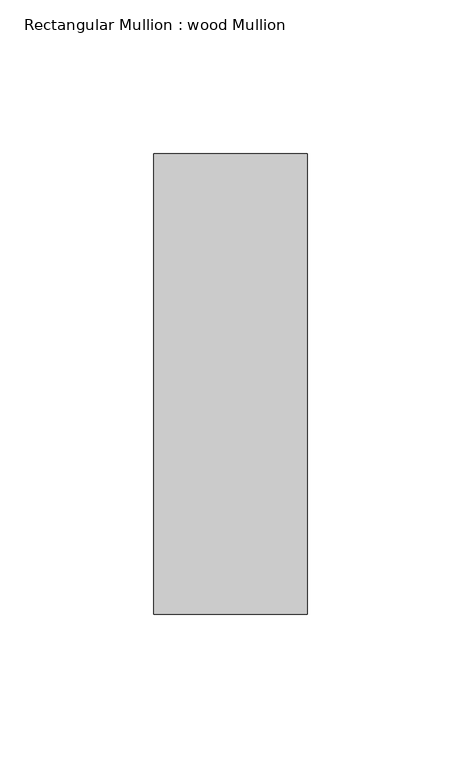
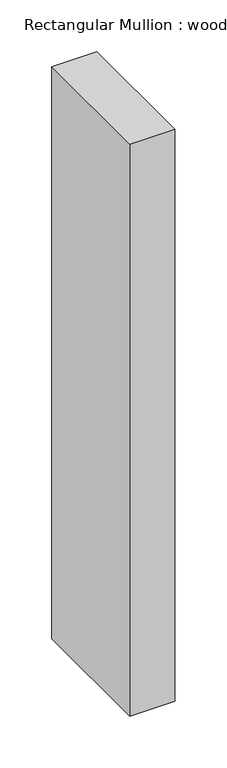
"""IFC4 building model written with IfcOpenShell, lengths in millimetres: member geometry, Rectangular Mullion : wood Mullion."""

import ifcopenshell
import ifcopenshell.guid

model = None  # the IFC model being written
_history = None  # IfcOwnerHistory: only IFC2X3 demands one
_inside = {}  # id of a spatial element -> (the spatial element, [elements in it])
_under = {}  # id of a project, library or spatial element -> (it, [spatial elements below it])
_declared = {}  # id of a project -> (the project, [libraries it declares])
_typed = {}  # id of a type object -> (the type object, [elements of that type])
_made_of = {}  # id of a material, layer set ... -> (it, [elements and type objects made of it])


def new_model(schema):
    """Start an empty IFC model of exactly this schema.

    Asked for "IFC4X3", IfcOpenShell would pick the latest addendum, in which some entities
    have other attributes; the version numbers below select the first issue.
    IFC2X3 requires an IfcOwnerHistory on every rooted entity: one is made here for all.
    """
    global model, _history
    if schema == "IFC4X3":
        model = ifcopenshell.file(schema_version=(4, 3, 0, 0))
    else:
        model = ifcopenshell.file(schema=schema)
    _inside.clear()
    _under.clear()
    _declared.clear()
    _typed.clear()
    _made_of.clear()
    _history = None
    if model.schema == "IFC2X3":
        org = make("IfcOrganization", Name="unknown")
        user = make(
            "IfcPersonAndOrganization",
            ThePerson=make("IfcPerson", FamilyName="unknown"),
            TheOrganization=org,
        )
        app = make(
            "IfcApplication",
            ApplicationDeveloper=org,
            Version="unknown",
            ApplicationFullName="unknown",
            ApplicationIdentifier="unknown",
        )
        _history = make(
            "IfcOwnerHistory",
            OwningUser=user,
            OwningApplication=app,
            ChangeAction="ADDED",
            CreationDate=0,
        )
    return model


def make(cls, **values):
    """One entity of the class cls with the attributes given. An attribute that is None is left unset."""
    return model.create_entity(
        cls, **{name: value for name, value in values.items() if value is not None}
    )


def rooted(cls, **values):
    """An entity with a GlobalId (a new one), such as an element, a storey or a relation."""
    return make(cls, GlobalId=ifcopenshell.guid.new(), OwnerHistory=_history, **values)


def si_unit(unit_type, name, prefix=None):
    """IfcSIUnit, for example si_unit("LENGTHUNIT", "METRE", prefix="MILLI")."""
    return make("IfcSIUnit", UnitType=unit_type, Prefix=prefix, Name=name)


def assignment(units):
    """IfcUnitAssignment: the units of a project."""
    return None if units is None else make("IfcUnitAssignment", Units=units)


def point(xyz):
    """IfcCartesianPoint."""
    return None if xyz is None else make("IfcCartesianPoint", Coordinates=xyz)


def direction(xyz):
    """IfcDirection."""
    return None if xyz is None else make("IfcDirection", DirectionRatios=xyz)


def frame(location, z_axis=None, x_axis=None):
    """IfcAxis2Placement3D, a coordinate frame: its origin and axes. An axis left out is left unset."""
    return make(
        "IfcAxis2Placement3D",
        Location=point(location),
        Axis=direction(z_axis),
        RefDirection=direction(x_axis),
    )


def origin():
    """The frame at (0, 0, 0) with its axes left unset."""
    return frame((0.0, 0.0, 0.0))


def place(relative_to, where):
    """IfcLocalPlacement: puts the frame where relative to a parent placement (None: the world)."""
    return make(
        "IfcLocalPlacement", PlacementRelTo=relative_to, RelativePlacement=where
    )


def context(
    kind, dimensions, precision=None, world=None, true_north=None, identifier=None
):
    """IfcGeometricRepresentationContext, for example the 3D "Model" context."""
    return make(
        "IfcGeometricRepresentationContext",
        ContextIdentifier=identifier,
        ContextType=kind,
        CoordinateSpaceDimension=dimensions,
        Precision=precision,
        WorldCoordinateSystem=world,
        TrueNorth=true_north,
    )


def project(units=None, contexts=None):
    """IfcProject with its units and contexts."""
    return rooted(
        "IfcProject",
        Name="project",
        RepresentationContexts=contexts,
        UnitsInContext=assignment(units),
    )


def spatial(cls, under=None, at=None, **own):
    """A site, building, storey or space (cls), placed at a placement, below another one or the project."""
    s = rooted(cls, ObjectPlacement=at, **own)
    if under is not None:
        _under.setdefault(under.id(), (under, []))[1].append(s)
    return s


def polyline(points):
    """IfcPolyline through the points."""
    return make("IfcPolyline", Points=[point(p) for p in points])


def outline(outer, holes=None, kind="AREA"):
    """IfcArbitraryClosedProfileDef: a profile drawn as a closed curve; with holes, ...WithVoids."""
    if holes is None:
        return make("IfcArbitraryClosedProfileDef", ProfileType=kind, OuterCurve=outer)
    return make(
        "IfcArbitraryProfileDefWithVoids",
        ProfileType=kind,
        OuterCurve=outer,
        InnerCurves=holes,
    )


def extrude(swept, where, along, depth):
    """IfcExtrudedAreaSolid: the profile swept, set in the frame where, extruded along a direction by depth."""
    return make(
        "IfcExtrudedAreaSolid",
        SweptArea=swept,
        Position=where,
        ExtrudedDirection=direction(along),
        Depth=depth,
    )


def shape(context_of_items, identifier, shape_type, items):
    """IfcShapeRepresentation: the items that make up one representation, for example the "Body"."""
    return make(
        "IfcShapeRepresentation",
        ContextOfItems=context_of_items,
        RepresentationIdentifier=identifier,
        RepresentationType=shape_type,
        Items=items,
    )


def source(mapping_origin, context_of_items, identifier, shape_type, items):
    """IfcRepresentationMap: a shape defined once, which mapped items show again and again."""
    return make(
        "IfcRepresentationMap",
        MappingOrigin=mapping_origin,
        MappedRepresentation=shape(context_of_items, identifier, shape_type, items),
    )


def transform(
    local_origin,
    x_axis=None,
    y_axis=None,
    z_axis=None,
    scale=None,
    scale2=None,
    scale3=None,
    uniform=True,
):
    """IfcCartesianTransformationOperator3D, or its non-uniform kind. x_axis, y_axis, z_axis: its Axis1, 2, 3."""
    if uniform:
        return make(
            "IfcCartesianTransformationOperator3D",
            Axis1=direction(x_axis),
            Axis2=direction(y_axis),
            LocalOrigin=point(local_origin),
            Scale=scale,
            Axis3=direction(z_axis),
        )
    return make(
        "IfcCartesianTransformationOperator3DnonUniform",
        Axis1=direction(x_axis),
        Axis2=direction(y_axis),
        LocalOrigin=point(local_origin),
        Scale=scale,
        Axis3=direction(z_axis),
        Scale2=scale2,
        Scale3=scale3,
    )


def mapped(mapping_source, mapping_target):
    """IfcMappedItem: shows the shape of a source again, moved by a transform."""
    return make(
        "IfcMappedItem", MappingSource=mapping_source, MappingTarget=mapping_target
    )


def made_of(thing, what):
    """Note that an element or type object is made of a material, layer set ...; save() writes the relation."""
    if what is not None:
        _made_of.setdefault(what.id(), (what, []))[1].append(thing)
    return thing


def element(
    cls,
    number,
    at=None,
    inside=None,
    cuts=None,
    type_object=None,
    material=None,
    context=None,
    identifier="Body",
    shape_type=None,
    held_by="IfcProductDefinitionShape",
    body=None,
    shapes=None,
    **own,
):
    """One element of the class cls, such as IfcWall. Its Tag is "e" and its number.

    at: its placement. inside: the storey or other place that contains it. cuts: it is an
    opening in that element (IfcRelVoidsElement). A single representation is given by context,
    identifier, shape_type and body (its items); several are given by shapes. held_by: the class
    of the entity that holds the representations. save() writes the other relations.
    """
    e = rooted(cls, Tag="e%d" % number, ObjectPlacement=at, **own)
    if body is not None:
        shapes = [shape(context, identifier, shape_type, body)]
    if shapes is not None:
        e.Representation = make(held_by, Representations=shapes)
    if inside is not None:
        _inside.setdefault(inside.id(), (inside, []))[1].append(e)
    if cuts is not None:
        rooted(
            "IfcRelVoidsElement", RelatingBuildingElement=cuts, RelatedOpeningElement=e
        )
    if type_object is not None:
        _typed.setdefault(type_object.id(), (type_object, []))[1].append(e)
    return made_of(e, material)


def aggregate(whole, parts):
    """IfcRelAggregates: a whole, such as a stair, and the parts it consists of."""
    return rooted("IfcRelAggregates", RelatingObject=whole, RelatedObjects=parts)


def save(model, path):
    """Write the relations noted so far, then the file.

    IfcRelAggregates (storeys below a building ...), IfcRelContainedInSpatialStructure (elements
    in a storey), IfcRelDefinesByType, IfcRelAssociatesMaterial and IfcRelDeclares: one each for
    every whole, place, type object, material and project.
    """
    for whole, parts in _under.values():
        aggregate(whole, parts)
    for where, things in _inside.values():
        rooted(
            "IfcRelContainedInSpatialStructure",
            RelatedElements=things,
            RelatingStructure=where,
        )
    for kind, things in _typed.values():
        rooted("IfcRelDefinesByType", RelatedObjects=things, RelatingType=kind)
    for what, things in _made_of.values():
        rooted("IfcRelAssociatesMaterial", RelatedObjects=things, RelatingMaterial=what)
    for by, libraries in _declared.values():
        rooted("IfcRelDeclares", RelatingContext=by, RelatedDefinitions=libraries)
    model.write(path)


def rectangular_mullion_wood_mullion_476c3672(model_context):
    return source(origin(), model_context, "Body", "SweptSolid", [
        extrude(outline(polyline([(0.0, 75.0), (0.0, -75.0), (-50.0, -75.0), (-50.0, 75.0), (0.0, 75.0)])), frame((0.0, 0.0, -672.5000001), z_axis=(0.0, 0.0, 1.0), x_axis=(1.0, 0.0, 0.0)), (0.0, 0.0, 1.0), 672.5000001),
    ])


if __name__ == "__main__":
    model = new_model("IFC4")
    model_context = context("Model", 3, world=origin())
    ifc_project = project(units=[si_unit("LENGTHUNIT", "METRE", prefix="MILLI")], contexts=[model_context])
    site = spatial("IfcSite", under=ifc_project)
    building = spatial("IfcBuilding", under=site)
    placement = place(None, origin())
    rectangular_mullion_wood_mullion_shape = rectangular_mullion_wood_mullion_476c3672(model_context)
    element("IfcMember", 1, ObjectType="Rectangular Mullion : wood Mullion", at=placement, inside=building, context=model_context, shape_type="MappedRepresentation", body=[
        mapped(rectangular_mullion_wood_mullion_shape, transform((0.0, 0.0, 0.0), x_axis=(1.0, 0.0, 0.0), y_axis=(0.0, 1.0, 0.0), z_axis=(0.0, 0.0, 1.0))),
    ])
    save(model, "model.ifc")
